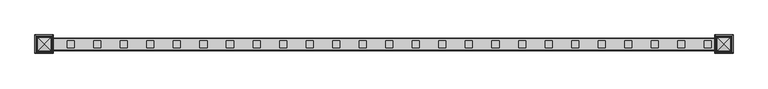
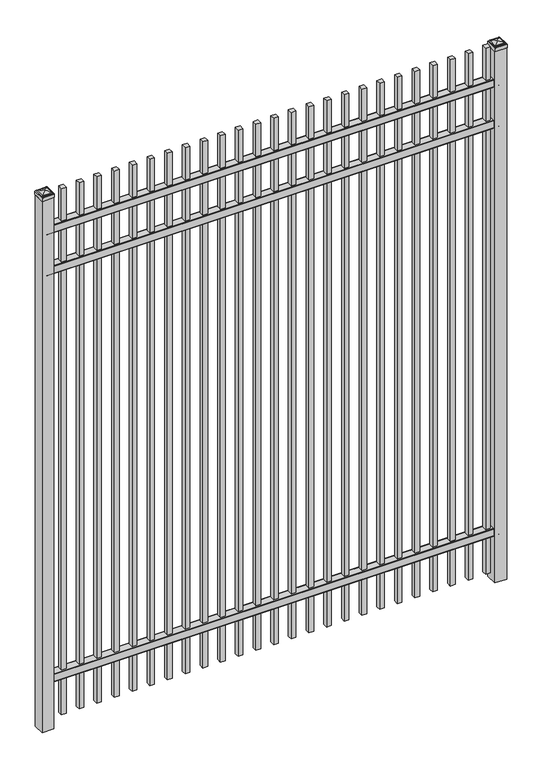
"""IFC4 building model written with IfcOpenShell, lengths in millimetres: railing geometry."""

from ifc_helpers import new_model, si_unit, point, frame, frame_2d, origin, origin_with_axes, place, context, project, spatial, polyline, circle_curve, ellipse_curve, trimmed, segment, composite_curve, outline, extrude, source, transform, mapped, element, save
from ifc_brep_helpers import plane_surface, cylinder_surface, advanced_brep


def railing_83ce219e(model_context):
    return source(origin(), model_context, "Body", "SolidModel", [
        extrude(outline(composite_curve([segment(polyline([(4253.9139761, 304.8), (4291.969541, 304.8)]), True, "CONTINUOUS"), segment(trimmed(circle_curve(frame_2d((4291.969541, 301.625)), 3.175), [point((4291.969541, 304.8))], [point((4295.144541, 301.625))], False, "CARTESIAN"), True, "CONTINUOUS"), segment(polyline([(4295.144541, 301.625), (4295.144541, 262.1439893)]), True, "CONTINUOUS"), segment(trimmed(circle_curve(frame_2d((4293.3505518, 262.1439893)), 1.7939893), [point((4295.144541, 262.1439893))], [point((4293.3505518, 260.35))], False, "CARTESIAN"), True, "CONTINUOUS"), segment(polyline([(4293.3505518, 260.35), (4290.7590713, 260.35)]), True, "CONTINUOUS"), segment(trimmed(circle_curve(frame_2d((4290.7590713, 262.1359375)), 1.7859375), [point((4290.7590713, 260.35))], [point((4288.9755813, 262.0424688))], False, "CARTESIAN"), True, "CONTINUOUS"), segment(polyline([(4288.9755813, 262.0424688), (4287.4025867, 292.0569942), (4258.4364954, 292.0569942), (4256.8635007, 262.0424688)]), True, "CONTINUOUS"), segment(trimmed(circle_curve(frame_2d((4255.0800108, 262.1359375)), 1.7859375), [point((4256.8635007, 262.0424688))], [point((4255.0800108, 260.35))], False, "CARTESIAN"), True, "CONTINUOUS"), segment(polyline([(4255.0800108, 260.35), (4252.4804785, 260.35)]), True, "CONTINUOUS"), segment(trimmed(circle_curve(frame_2d((4252.4804785, 262.1359375)), 1.7859375), [point((4252.4804785, 260.35))], [point((4250.694541, 262.1359375))], False, "CARTESIAN"), True, "CONTINUOUS"), segment(polyline([(4250.694541, 262.1359375), (4250.694541, 301.5805649)]), True, "CONTINUOUS"), segment(trimmed(circle_curve(frame_2d((4253.9139761, 301.5805649)), 3.2194351), [point((4250.694541, 301.5805649))], [point((4253.9139761, 304.8))], False, "CARTESIAN"), True, "CONTINUOUS")], self_intersect=False)), frame((6913.3350064, 0.0, 0.0), z_axis=(1.0, 0.0, 0.0), x_axis=(0.0, 1.0, 0.0)), (0.0, 0.0, 1.0), 2438.4),
        extrude(outline(composite_curve([segment(polyline([(4253.9139761, 2628.9), (4291.969541, 2628.9)]), True, "CONTINUOUS"), segment(trimmed(circle_curve(frame_2d((4291.969541, 2625.725)), 3.175), [point((4291.969541, 2628.9))], [point((4295.144541, 2625.725))], False, "CARTESIAN"), True, "CONTINUOUS"), segment(polyline([(4295.144541, 2625.725), (4295.144541, 2586.2439893)]), True, "CONTINUOUS"), segment(trimmed(circle_curve(frame_2d((4293.3505518, 2586.2439893)), 1.7939893), [point((4295.144541, 2586.2439893))], [point((4293.3505518, 2584.45))], False, "CARTESIAN"), True, "CONTINUOUS"), segment(polyline([(4293.3505518, 2584.45), (4290.7590713, 2584.45)]), True, "CONTINUOUS"), segment(trimmed(circle_curve(frame_2d((4290.7590713, 2586.2359375)), 1.7859375), [point((4290.7590713, 2584.45))], [point((4288.9755813, 2586.1424688))], False, "CARTESIAN"), True, "CONTINUOUS"), segment(polyline([(4288.9755813, 2586.1424688), (4287.4025867, 2616.1569942), (4258.4364954, 2616.1569942), (4256.8635007, 2586.1424688)]), True, "CONTINUOUS"), segment(trimmed(circle_curve(frame_2d((4255.0800108, 2586.2359375)), 1.7859375), [point((4256.8635007, 2586.1424688))], [point((4255.0800108, 2584.45))], False, "CARTESIAN"), True, "CONTINUOUS"), segment(polyline([(4255.0800108, 2584.45), (4252.4804785, 2584.45)]), True, "CONTINUOUS"), segment(trimmed(circle_curve(frame_2d((4252.4804785, 2586.2359375)), 1.7859375), [point((4252.4804785, 2584.45))], [point((4250.694541, 2586.2359375))], False, "CARTESIAN"), True, "CONTINUOUS"), segment(polyline([(4250.694541, 2586.2359375), (4250.694541, 2625.6805649)]), True, "CONTINUOUS"), segment(trimmed(circle_curve(frame_2d((4253.9139761, 2625.6805649)), 3.2194351), [point((4250.694541, 2625.6805649))], [point((4253.9139761, 2628.9))], False, "CARTESIAN"), True, "CONTINUOUS")], self_intersect=False)), frame((6913.3350064, 0.0, 0.0), z_axis=(1.0, 0.0, 0.0), x_axis=(0.0, 1.0, 0.0)), (0.0, 0.0, 1.0), 2438.4),
        extrude(outline(composite_curve([segment(polyline([(4253.9139761, 2862.2625), (4291.969541, 2862.2625)]), True, "CONTINUOUS"), segment(trimmed(circle_curve(frame_2d((4291.969541, 2859.0875)), 3.175), [point((4291.969541, 2862.2625))], [point((4295.144541, 2859.0875))], False, "CARTESIAN"), True, "CONTINUOUS"), segment(polyline([(4295.144541, 2859.0875), (4295.144541, 2819.6064893)]), True, "CONTINUOUS"), segment(trimmed(circle_curve(frame_2d((4293.3505518, 2819.6064893)), 1.7939893), [point((4295.144541, 2819.6064893))], [point((4293.3505518, 2817.8125))], False, "CARTESIAN"), True, "CONTINUOUS"), segment(polyline([(4293.3505518, 2817.8125), (4290.7590713, 2817.8125)]), True, "CONTINUOUS"), segment(trimmed(circle_curve(frame_2d((4290.7590713, 2819.5984375)), 1.7859375), [point((4290.7590713, 2817.8125))], [point((4288.9755813, 2819.5049688))], False, "CARTESIAN"), True, "CONTINUOUS"), segment(polyline([(4288.9755813, 2819.5049688), (4287.4025867, 2849.5194942), (4258.4364954, 2849.5194942), (4256.8635007, 2819.5049688)]), True, "CONTINUOUS"), segment(trimmed(circle_curve(frame_2d((4255.0800108, 2819.5984375)), 1.7859375), [point((4256.8635007, 2819.5049688))], [point((4255.0800108, 2817.8125))], False, "CARTESIAN"), True, "CONTINUOUS"), segment(polyline([(4255.0800108, 2817.8125), (4252.4804785, 2817.8125)]), True, "CONTINUOUS"), segment(trimmed(circle_curve(frame_2d((4252.4804785, 2819.5984375)), 1.7859375), [point((4252.4804785, 2817.8125))], [point((4250.694541, 2819.5984375))], False, "CARTESIAN"), True, "CONTINUOUS"), segment(polyline([(4250.694541, 2819.5984375), (4250.694541, 2859.0430649)]), True, "CONTINUOUS"), segment(trimmed(circle_curve(frame_2d((4253.9139761, 2859.0430649)), 3.2194351), [point((4250.694541, 2859.0430649))], [point((4253.9139761, 2862.2625))], False, "CARTESIAN"), True, "CONTINUOUS")], self_intersect=False)), frame((6913.3350064, 0.0, 0.0), z_axis=(1.0, 0.0, 0.0), x_axis=(0.0, 1.0, 0.0)), (0.0, 0.0, 1.0), 2438.4),
        extrude(outline(polyline([(9281.8850064, 4285.619541), (9307.2850064, 4285.619541), (9307.2850064, 4260.219541), (9281.8850064, 4260.219541), (9281.8850064, 4285.619541)])), frame((0.0, 0.0, 50.8), z_axis=(0.0, 0.0, 1.0), x_axis=(1.0, 0.0, 0.0)), (0.0, 0.0, 1.0), 2997.2),
        extrude(outline(polyline([(9186.6350064, 4285.619541), (9212.0350064, 4285.619541), (9212.0350064, 4260.219541), (9186.6350064, 4260.219541), (9186.6350064, 4285.619541)])), frame((0.0, 0.0, 50.8), z_axis=(0.0, 0.0, 1.0), x_axis=(1.0, 0.0, 0.0)), (0.0, 0.0, 1.0), 2997.2),
        extrude(outline(polyline([(9091.3850064, 4285.619541), (9116.7850064, 4285.619541), (9116.7850064, 4260.219541), (9091.3850064, 4260.219541), (9091.3850064, 4285.619541)])), frame((0.0, 0.0, 50.8), z_axis=(0.0, 0.0, 1.0), x_axis=(1.0, 0.0, 0.0)), (0.0, 0.0, 1.0), 2997.2),
        extrude(outline(polyline([(8996.1350064, 4285.619541), (9021.5350064, 4285.619541), (9021.5350064, 4260.219541), (8996.1350064, 4260.219541), (8996.1350064, 4285.619541)])), frame((0.0, 0.0, 50.8), z_axis=(0.0, 0.0, 1.0), x_axis=(1.0, 0.0, 0.0)), (0.0, 0.0, 1.0), 2997.2),
        extrude(outline(polyline([(8900.8850064, 4285.619541), (8926.2850064, 4285.619541), (8926.2850064, 4260.219541), (8900.8850064, 4260.219541), (8900.8850064, 4285.619541)])), frame((0.0, 0.0, 50.8), z_axis=(0.0, 0.0, 1.0), x_axis=(1.0, 0.0, 0.0)), (0.0, 0.0, 1.0), 2997.2),
        extrude(outline(polyline([(8805.6350064, 4285.619541), (8831.0350064, 4285.619541), (8831.0350064, 4260.219541), (8805.6350064, 4260.219541), (8805.6350064, 4285.619541)])), frame((0.0, 0.0, 50.8), z_axis=(0.0, 0.0, 1.0), x_axis=(1.0, 0.0, 0.0)), (0.0, 0.0, 1.0), 2997.2),
        extrude(outline(polyline([(8710.3850064, 4285.619541), (8735.7850064, 4285.619541), (8735.7850064, 4260.219541), (8710.3850064, 4260.219541), (8710.3850064, 4285.619541)])), frame((0.0, 0.0, 50.8), z_axis=(0.0, 0.0, 1.0), x_axis=(1.0, 0.0, 0.0)), (0.0, 0.0, 1.0), 2997.2),
        extrude(outline(polyline([(8615.1350064, 4285.619541), (8640.5350064, 4285.619541), (8640.5350064, 4260.219541), (8615.1350064, 4260.219541), (8615.1350064, 4285.619541)])), frame((0.0, 0.0, 50.8), z_axis=(0.0, 0.0, 1.0), x_axis=(1.0, 0.0, 0.0)), (0.0, 0.0, 1.0), 2997.2),
        extrude(outline(polyline([(8519.8850064, 4285.619541), (8545.2850064, 4285.619541), (8545.2850064, 4260.219541), (8519.8850064, 4260.219541), (8519.8850064, 4285.619541)])), frame((0.0, 0.0, 50.8), z_axis=(0.0, 0.0, 1.0), x_axis=(1.0, 0.0, 0.0)), (0.0, 0.0, 1.0), 2997.2),
        extrude(outline(polyline([(8424.6350064, 4285.619541), (8450.0350064, 4285.619541), (8450.0350064, 4260.219541), (8424.6350064, 4260.219541), (8424.6350064, 4285.619541)])), frame((0.0, 0.0, 50.8), z_axis=(0.0, 0.0, 1.0), x_axis=(1.0, 0.0, 0.0)), (0.0, 0.0, 1.0), 2997.2),
        extrude(outline(polyline([(8329.3850064, 4285.619541), (8354.7850064, 4285.619541), (8354.7850064, 4260.219541), (8329.3850064, 4260.219541), (8329.3850064, 4285.619541)])), frame((0.0, 0.0, 50.8), z_axis=(0.0, 0.0, 1.0), x_axis=(1.0, 0.0, 0.0)), (0.0, 0.0, 1.0), 2997.2),
        extrude(outline(polyline([(8234.1350064, 4285.619541), (8259.5350064, 4285.619541), (8259.5350064, 4260.219541), (8234.1350064, 4260.219541), (8234.1350064, 4285.619541)])), frame((0.0, 0.0, 50.8), z_axis=(0.0, 0.0, 1.0), x_axis=(1.0, 0.0, 0.0)), (0.0, 0.0, 1.0), 2997.2),
        extrude(outline(polyline([(8138.8850064, 4285.619541), (8164.2850064, 4285.619541), (8164.2850064, 4260.219541), (8138.8850064, 4260.219541), (8138.8850064, 4285.619541)])), frame((0.0, 0.0, 50.8), z_axis=(0.0, 0.0, 1.0), x_axis=(1.0, 0.0, 0.0)), (0.0, 0.0, 1.0), 2997.2),
        extrude(outline(polyline([(8043.6350064, 4285.619541), (8069.0350064, 4285.619541), (8069.0350064, 4260.219541), (8043.6350064, 4260.219541), (8043.6350064, 4285.619541)])), frame((0.0, 0.0, 50.8), z_axis=(0.0, 0.0, 1.0), x_axis=(1.0, 0.0, 0.0)), (0.0, 0.0, 1.0), 2997.2),
        extrude(outline(polyline([(7948.3850064, 4285.619541), (7973.7850064, 4285.619541), (7973.7850064, 4260.219541), (7948.3850064, 4260.219541), (7948.3850064, 4285.619541)])), frame((0.0, 0.0, 50.8), z_axis=(0.0, 0.0, 1.0), x_axis=(1.0, 0.0, 0.0)), (0.0, 0.0, 1.0), 2997.2),
        extrude(outline(polyline([(7853.1350064, 4285.619541), (7878.5350064, 4285.619541), (7878.5350064, 4260.219541), (7853.1350064, 4260.219541), (7853.1350064, 4285.619541)])), frame((0.0, 0.0, 50.8), z_axis=(0.0, 0.0, 1.0), x_axis=(1.0, 0.0, 0.0)), (0.0, 0.0, 1.0), 2997.2),
        extrude(outline(polyline([(7757.8850064, 4285.619541), (7783.2850064, 4285.619541), (7783.2850064, 4260.219541), (7757.8850064, 4260.219541), (7757.8850064, 4285.619541)])), frame((0.0, 0.0, 50.8), z_axis=(0.0, 0.0, 1.0), x_axis=(1.0, 0.0, 0.0)), (0.0, 0.0, 1.0), 2997.2),
        extrude(outline(polyline([(7662.6350064, 4285.619541), (7688.0350064, 4285.619541), (7688.0350064, 4260.219541), (7662.6350064, 4260.219541), (7662.6350064, 4285.619541)])), frame((0.0, 0.0, 50.8), z_axis=(0.0, 0.0, 1.0), x_axis=(1.0, 0.0, 0.0)), (0.0, 0.0, 1.0), 2997.2),
        extrude(outline(polyline([(7567.3850064, 4285.619541), (7592.7850064, 4285.619541), (7592.7850064, 4260.219541), (7567.3850064, 4260.219541), (7567.3850064, 4285.619541)])), frame((0.0, 0.0, 50.8), z_axis=(0.0, 0.0, 1.0), x_axis=(1.0, 0.0, 0.0)), (0.0, 0.0, 1.0), 2997.2),
        extrude(outline(polyline([(7472.1350064, 4285.619541), (7497.5350064, 4285.619541), (7497.5350064, 4260.219541), (7472.1350064, 4260.219541), (7472.1350064, 4285.619541)])), frame((0.0, 0.0, 50.8), z_axis=(0.0, 0.0, 1.0), x_axis=(1.0, 0.0, 0.0)), (0.0, 0.0, 1.0), 2997.2),
        extrude(outline(polyline([(7376.8850064, 4285.619541), (7402.2850064, 4285.619541), (7402.2850064, 4260.219541), (7376.8850064, 4260.219541), (7376.8850064, 4285.619541)])), frame((0.0, 0.0, 50.8), z_axis=(0.0, 0.0, 1.0), x_axis=(1.0, 0.0, 0.0)), (0.0, 0.0, 1.0), 2997.2),
        extrude(outline(polyline([(7281.6350064, 4285.619541), (7307.0350064, 4285.619541), (7307.0350064, 4260.219541), (7281.6350064, 4260.219541), (7281.6350064, 4285.619541)])), frame((0.0, 0.0, 50.8), z_axis=(0.0, 0.0, 1.0), x_axis=(1.0, 0.0, 0.0)), (0.0, 0.0, 1.0), 2997.2),
        extrude(outline(polyline([(7186.3850064, 4285.619541), (7211.7850064, 4285.619541), (7211.7850064, 4260.219541), (7186.3850064, 4260.219541), (7186.3850064, 4285.619541)])), frame((0.0, 0.0, 50.8), z_axis=(0.0, 0.0, 1.0), x_axis=(1.0, 0.0, 0.0)), (0.0, 0.0, 1.0), 2997.2),
        extrude(outline(polyline([(7091.1350064, 4285.619541), (7116.5350064, 4285.619541), (7116.5350064, 4260.219541), (7091.1350064, 4260.219541), (7091.1350064, 4285.619541)])), frame((0.0, 0.0, 50.8), z_axis=(0.0, 0.0, 1.0), x_axis=(1.0, 0.0, 0.0)), (0.0, 0.0, 1.0), 2997.2),
        extrude(outline(polyline([(6995.8850064, 4285.619541), (7021.2850064, 4285.619541), (7021.2850064, 4260.219541), (6995.8850064, 4260.219541), (6995.8850064, 4285.619541)])), frame((0.0, 0.0, 50.8), z_axis=(0.0, 0.0, 1.0), x_axis=(1.0, 0.0, 0.0)), (0.0, 0.0, 1.0), 2997.2),
        extrude(outline(polyline([(9383.4850064, 4304.669541), (9383.4850064, 4241.169541), (9319.9850064, 4241.169541), (9319.9850064, 4304.669541), (9383.4850064, 4304.669541)])), origin_with_axes(), (0.0, 0.0, 1.0), 3027.3625),
        advanced_brep(
        [(9318.3975064, 4306.257041, 3045.61875), (9318.3975064, 4306.257041, 3027.3625), (9318.3975064, 4239.582041, 3027.3625), (9318.3975064, 4239.582041, 3045.61875), (9320.7787564, 4303.875791, 3048.0), (9320.7787564, 4241.963291, 3048.0), (9323.1600064, 4301.494541, 3050.38125), (9323.1600064, 4301.494541, 3048.0), (9323.1600064, 4244.344541, 3048.0), (9323.1600064, 4244.344541, 3050.38125), (9325.5412564, 4299.113291, 3052.7625), (9325.5412564, 4246.725791, 3052.7625), (9351.7350064, 4272.919541, 3059.1125), (9327.9225064, 4296.732041, 3052.7625), (9327.9225064, 4249.107041, 3052.7625), (9385.0725064, 4239.582041, 3027.3625), (9385.0725064, 4239.582041, 3045.61875), (9382.6912564, 4241.963291, 3048.0), (9380.3100064, 4244.344541, 3048.0), (9380.3100064, 4244.344541, 3050.38125), (9377.9287564, 4246.725791, 3052.7625), (9375.5475064, 4249.107041, 3052.7625), (9385.0725064, 4306.257041, 3027.3625), (9385.0725064, 4306.257041, 3045.61875), (9382.6912564, 4303.875791, 3048.0), (9380.3100064, 4301.494541, 3048.0), (9380.3100064, 4301.494541, 3050.38125), (9377.9287564, 4299.113291, 3052.7625), (9375.5475064, 4296.732041, 3052.7625)],
        [
            (0, 1),
            (1, 2),
            (2, 3),
            (3, 0),
            (4, 0, ellipse_curve(frame((9320.7787564, 4303.875791, 3045.61875), z_axis=(-0.70710678118655, -0.7071067811865449, 0.0), x_axis=(-0.7071067811865448, 0.7071067811865501, 0.0)), 3.367596, 2.38125)),
            (3, 5, ellipse_curve(frame((9320.7787564, 4241.963291, 3045.61875), z_axis=(-0.7071067811865449, 0.70710678118655, 0.0), x_axis=(0.7071067811865499, 0.707106781186545, 0.0)), 3.367596, 2.38125)),
            (5, 4),
            (6, 7),
            (7, 8),
            (8, 9),
            (9, 6),
            (10, 6, ellipse_curve(frame((9325.5412564, 4299.113291, 3050.38125), z_axis=(-0.70710678118655, -0.7071067811865449, 0.0), x_axis=(-0.7071067811865448, 0.7071067811865501, 0.0)), 3.367596, 2.38125)),
            (9, 11, ellipse_curve(frame((9325.5412564, 4246.725791, 3050.38125), z_axis=(-0.7071067811865449, 0.70710678118655, 0.0), x_axis=(0.7071067811865499, 0.707106781186545, 0.0)), 3.367596, 2.38125)),
            (11, 10),
            (12, 13, ellipse_curve(frame((9351.7350064, 4272.919541, 3011.2890625), z_axis=(-0.70710678118655, -0.7071067811865449, 0.0), x_axis=(-0.7071067811865448, 0.7071067811865501, 0.0)), 67.6325539, 47.8234375)),
            (13, 14),
            (14, 12, ellipse_curve(frame((9351.7350064, 4272.919541, 3011.2890625), z_axis=(-0.7071067811865449, 0.70710678118655, 0.0), x_axis=(0.7071067811865499, 0.707106781186545, 0.0)), 67.6325539, 47.8234375)),
            (2, 15),
            (15, 16),
            (16, 3),
            (16, 17, ellipse_curve(frame((9382.6912564, 4241.963291, 3045.61875), z_axis=(-0.70710678118655, -0.707106781186545, 0.0), x_axis=(-0.707106781186545, 0.70710678118655, 0.0)), 3.367596, 2.38125)),
            (17, 5),
            (8, 18),
            (18, 19),
            (19, 9),
            (19, 20, ellipse_curve(frame((9377.9287564, 4246.725791, 3050.38125), z_axis=(-0.70710678118655, -0.707106781186545, 0.0), x_axis=(-0.707106781186545, 0.70710678118655, 0.0)), 3.367596, 2.38125)),
            (20, 11),
            (14, 21),
            (21, 12, ellipse_curve(frame((9351.7350064, 4272.919541, 3011.2890625), z_axis=(-0.70710678118655, -0.707106781186545, 0.0), x_axis=(-0.707106781186545, 0.70710678118655, 0.0)), 67.6325539, 47.8234375)),
            (15, 22),
            (22, 23),
            (23, 16),
            (23, 24, ellipse_curve(frame((9382.6912564, 4303.875791, 3045.61875), z_axis=(0.707106781186545, -0.7071067811865499, 0.0), x_axis=(-0.7071067811865497, -0.7071067811865452, 0.0)), 3.367596, 2.38125)),
            (24, 17),
            (18, 25),
            (25, 26),
            (26, 19),
            (26, 27, ellipse_curve(frame((9377.9287564, 4299.113291, 3050.38125), z_axis=(0.707106781186545, -0.7071067811865499, 0.0), x_axis=(-0.7071067811865497, -0.7071067811865452, 0.0)), 3.367596, 2.38125)),
            (27, 20),
            (21, 28),
            (28, 12, ellipse_curve(frame((9351.7350064, 4272.919541, 3011.2890625), z_axis=(0.707106781186545, -0.7071067811865499, 0.0), x_axis=(-0.7071067811865497, -0.7071067811865452, 0.0)), 67.6325539, 47.8234375)),
            (22, 1),
            (0, 23),
            (4, 24),
            (7, 25),
            (6, 26),
            (10, 27),
            (13, 28),
        ],
        [
            plane_surface(frame((9318.3975064, 4306.257041, 3027.3625), z_axis=(-1.0, 0.0, 0.0), x_axis=(0.0, -1.0, 0.0))),
            cylinder_surface(frame((9320.7787564, 4304.669541, 3045.61875), z_axis=(0.0, 1.0, 0.0), x_axis=(1.0, 0.0, 0.0)), 2.38125),
            plane_surface(frame((9323.1600064, 4301.494541, 3048.0), z_axis=(-1.0, 0.0, 0.0), x_axis=(0.0, -1.0, 0.0))),
            cylinder_surface(frame((9325.5412564, 4304.669541, 3050.38125), z_axis=(0.0, 1.0, 0.0), x_axis=(1.0, 0.0, 0.0)), 2.38125),
            cylinder_surface(frame((9351.7350064, 4304.669541, 3011.2890625), z_axis=(0.0, 1.0, 0.0), x_axis=(1.0, 0.0, 0.0)), 47.8234375),
            plane_surface(frame((9318.3975064, 4239.582041, 3027.3625), z_axis=(0.0, -1.0, 0.0), x_axis=(1.0, 0.0, 0.0))),
            cylinder_surface(frame((9319.9850064, 4241.963291, 3045.61875), z_axis=(-1.0, 0.0, 0.0), x_axis=(0.0, 1.0, 0.0)), 2.38125),
            plane_surface(frame((9323.1600064, 4244.344541, 3048.0), z_axis=(0.0, -1.0, 0.0), x_axis=(1.0, 0.0, 0.0))),
            cylinder_surface(frame((9319.9850064, 4246.725791, 3050.38125), z_axis=(-1.0, 0.0, 0.0), x_axis=(0.0, 1.0, 0.0)), 2.38125),
            cylinder_surface(frame((9319.9850064, 4272.919541, 3011.2890625), z_axis=(-1.0, 0.0, 0.0), x_axis=(0.0, 1.0, 0.0)), 47.8234375),
            plane_surface(frame((9385.0725064, 4239.582041, 3027.3625), z_axis=(1.0, 0.0, 0.0), x_axis=(0.0, 1.0, 0.0))),
            cylinder_surface(frame((9382.6912564, 4241.169541, 3045.61875), z_axis=(0.0, -1.0, 0.0), x_axis=(-1.0, 0.0, 0.0)), 2.38125),
            plane_surface(frame((9380.3100064, 4244.344541, 3048.0), z_axis=(1.0, 0.0, 0.0), x_axis=(0.0, 1.0, 0.0))),
            cylinder_surface(frame((9377.9287564, 4241.169541, 3050.38125), z_axis=(0.0, -1.0, 0.0), x_axis=(-1.0, 0.0, 0.0)), 2.38125),
            cylinder_surface(frame((9351.7350064, 4241.169541, 3011.2890625), z_axis=(0.0, -1.0, 0.0), x_axis=(-1.0, 0.0, 0.0)), 47.8234375),
            plane_surface(frame((9385.0725064, 4306.257041, 3027.3625), z_axis=(0.0, 1.0, 0.0), x_axis=(-1.0, 0.0, 0.0))),
            cylinder_surface(frame((9383.4850064, 4303.875791, 3045.61875), z_axis=(1.0, 0.0, 0.0), x_axis=(0.0, -1.0, 0.0)), 2.38125),
            plane_surface(frame((9382.6912564, 4303.875791, 3048.0), z_axis=(0.0, 0.0, 1.0), x_axis=(-1.0, 0.0, 0.0))),
            plane_surface(frame((9380.3100064, 4301.494541, 3048.0), z_axis=(0.0, 1.0, 0.0), x_axis=(-1.0, 0.0, 0.0))),
            cylinder_surface(frame((9383.4850064, 4299.113291, 3050.38125), z_axis=(1.0, 0.0, 0.0), x_axis=(0.0, -1.0, 0.0)), 2.38125),
            plane_surface(frame((9377.9287564, 4299.113291, 3052.7625), z_axis=(0.0, 0.0, 1.0), x_axis=(-1.0, 0.0, 0.0))),
            cylinder_surface(frame((9383.4850064, 4272.919541, 3011.2890625), z_axis=(1.0, 0.0, 0.0), x_axis=(0.0, -1.0, 0.0)), 47.8234375),
            plane_surface(frame((9351.7350064, 4272.919541, 3027.3625), z_axis=(0.0, 0.0, -1.0), x_axis=(-1.0, 0.0, 0.0))),
        ],
        [
            (0, [[1, 2, 3, 4]]),
            (1, [[5, -4, 6, 7]]),
            (2, [[8, 9, 10, 11]]),
            (3, [[12, -11, 13, 14]]),
            (4, [[15, 16, 17]]),
            (5, [[-3, 18, 19, 20]]),
            (6, [[-6, -20, 21, 22]]),
            (7, [[-10, 23, 24, 25]]),
            (8, [[-13, -25, 26, 27]]),
            (9, [[-17, 28, 29]]),
            (10, [[-19, 30, 31, 32]]),
            (11, [[-21, -32, 33, 34]]),
            (12, [[-24, 35, 36, 37]]),
            (13, [[-26, -37, 38, 39]]),
            (14, [[-29, 40, 41]]),
            (15, [[-31, 42, -1, 43]]),
            (16, [[-33, -43, -5, 44]]),
            (17, [[-22, -34, -44, -7], [45, -35, -23, -9]]),
            (18, [[-36, -45, -8, 46]]),
            (19, [[-38, -46, -12, 47]]),
            (20, [[-27, -39, -47, -14], [48, -40, -28, -16]]),
            (21, [[-41, -48, -15]]),
            (22, [[-42, -30, -18, -2]]),
        ],
    ),
        extrude(outline(polyline([(6945.0850064, 4304.669541), (6945.0850064, 4241.169541), (6881.5850064, 4241.169541), (6881.5850064, 4304.669541), (6945.0850064, 4304.669541)])), origin_with_axes(), (0.0, 0.0, 1.0), 3027.3625),
        advanced_brep(
        [(6879.9975064, 4306.257041, 3045.61875), (6879.9975064, 4306.257041, 3027.3625), (6879.9975064, 4239.582041, 3027.3625), (6879.9975064, 4239.582041, 3045.61875), (6882.3787564, 4303.875791, 3048.0), (6882.3787564, 4241.963291, 3048.0), (6884.7600064, 4301.494541, 3050.38125), (6884.7600064, 4301.494541, 3048.0), (6884.7600064, 4244.344541, 3048.0), (6884.7600064, 4244.344541, 3050.38125), (6887.1412564, 4299.113291, 3052.7625), (6887.1412564, 4246.725791, 3052.7625), (6913.3350064, 4272.919541, 3059.1125), (6889.5225064, 4296.732041, 3052.7625), (6889.5225064, 4249.107041, 3052.7625), (6946.6725064, 4239.582041, 3027.3625), (6946.6725064, 4239.582041, 3045.61875), (6944.2912564, 4241.963291, 3048.0), (6941.9100064, 4244.344541, 3048.0), (6941.9100064, 4244.344541, 3050.38125), (6939.5287564, 4246.725791, 3052.7625), (6937.1475064, 4249.107041, 3052.7625), (6946.6725064, 4306.257041, 3027.3625), (6946.6725064, 4306.257041, 3045.61875), (6944.2912564, 4303.875791, 3048.0), (6941.9100064, 4301.494541, 3048.0), (6941.9100064, 4301.494541, 3050.38125), (6939.5287564, 4299.113291, 3052.7625), (6937.1475064, 4296.732041, 3052.7625)],
        [
            (0, 1),
            (1, 2),
            (2, 3),
            (3, 0),
            (4, 0, ellipse_curve(frame((6882.3787564, 4303.875791, 3045.61875), z_axis=(-0.70710678118655, -0.7071067811865449, 0.0), x_axis=(-0.7071067811865448, 0.7071067811865501, 0.0)), 3.367596, 2.38125)),
            (3, 5, ellipse_curve(frame((6882.3787564, 4241.963291, 3045.61875), z_axis=(-0.7071067811865449, 0.70710678118655, 0.0), x_axis=(0.7071067811865499, 0.707106781186545, 0.0)), 3.367596, 2.38125)),
            (5, 4),
            (6, 7),
            (7, 8),
            (8, 9),
            (9, 6),
            (10, 6, ellipse_curve(frame((6887.1412564, 4299.113291, 3050.38125), z_axis=(-0.70710678118655, -0.7071067811865449, 0.0), x_axis=(-0.7071067811865448, 0.7071067811865501, 0.0)), 3.367596, 2.38125)),
            (9, 11, ellipse_curve(frame((6887.1412564, 4246.725791, 3050.38125), z_axis=(-0.7071067811865449, 0.70710678118655, 0.0), x_axis=(0.7071067811865499, 0.707106781186545, 0.0)), 3.367596, 2.38125)),
            (11, 10),
            (12, 13, ellipse_curve(frame((6913.3350064, 4272.919541, 3011.2890625), z_axis=(-0.70710678118655, -0.7071067811865449, 0.0), x_axis=(-0.7071067811865448, 0.7071067811865501, 0.0)), 67.6325539, 47.8234375)),
            (13, 14),
            (14, 12, ellipse_curve(frame((6913.3350064, 4272.919541, 3011.2890625), z_axis=(-0.7071067811865449, 0.70710678118655, 0.0), x_axis=(0.7071067811865499, 0.707106781186545, 0.0)), 67.6325539, 47.8234375)),
            (2, 15),
            (15, 16),
            (16, 3),
            (16, 17, ellipse_curve(frame((6944.2912564, 4241.963291, 3045.61875), z_axis=(-0.70710678118655, -0.707106781186545, 0.0), x_axis=(-0.707106781186545, 0.70710678118655, 0.0)), 3.367596, 2.38125)),
            (17, 5),
            (8, 18),
            (18, 19),
            (19, 9),
            (19, 20, ellipse_curve(frame((6939.5287564, 4246.725791, 3050.38125), z_axis=(-0.70710678118655, -0.707106781186545, 0.0), x_axis=(-0.707106781186545, 0.70710678118655, 0.0)), 3.367596, 2.38125)),
            (20, 11),
            (14, 21),
            (21, 12, ellipse_curve(frame((6913.3350064, 4272.919541, 3011.2890625), z_axis=(-0.70710678118655, -0.707106781186545, 0.0), x_axis=(-0.707106781186545, 0.70710678118655, 0.0)), 67.6325539, 47.8234375)),
            (15, 22),
            (22, 23),
            (23, 16),
            (23, 24, ellipse_curve(frame((6944.2912564, 4303.875791, 3045.61875), z_axis=(0.707106781186545, -0.7071067811865499, 0.0), x_axis=(-0.7071067811865497, -0.7071067811865452, 0.0)), 3.367596, 2.38125)),
            (24, 17),
            (18, 25),
            (25, 26),
            (26, 19),
            (26, 27, ellipse_curve(frame((6939.5287564, 4299.113291, 3050.38125), z_axis=(0.707106781186545, -0.7071067811865499, 0.0), x_axis=(-0.7071067811865497, -0.7071067811865452, 0.0)), 3.367596, 2.38125)),
            (27, 20),
            (21, 28),
            (28, 12, ellipse_curve(frame((6913.3350064, 4272.919541, 3011.2890625), z_axis=(0.707106781186545, -0.7071067811865499, 0.0), x_axis=(-0.7071067811865497, -0.7071067811865452, 0.0)), 67.6325539, 47.8234375)),
            (22, 1),
            (0, 23),
            (4, 24),
            (7, 25),
            (6, 26),
            (10, 27),
            (13, 28),
        ],
        [
            plane_surface(frame((6879.9975064, 4306.257041, 3027.3625), z_axis=(-1.0, 0.0, 0.0), x_axis=(0.0, -1.0, 0.0))),
            cylinder_surface(frame((6882.3787564, 4304.669541, 3045.61875), z_axis=(0.0, 1.0, 0.0), x_axis=(1.0, 0.0, 0.0)), 2.38125),
            plane_surface(frame((6884.7600064, 4301.494541, 3048.0), z_axis=(-1.0, 0.0, 0.0), x_axis=(0.0, -1.0, 0.0))),
            cylinder_surface(frame((6887.1412564, 4304.669541, 3050.38125), z_axis=(0.0, 1.0, 0.0), x_axis=(1.0, 0.0, 0.0)), 2.38125),
            cylinder_surface(frame((6913.3350064, 4304.669541, 3011.2890625), z_axis=(0.0, 1.0, 0.0), x_axis=(1.0, 0.0, 0.0)), 47.8234375),
            plane_surface(frame((6879.9975064, 4239.582041, 3027.3625), z_axis=(0.0, -1.0, 0.0), x_axis=(1.0, 0.0, 0.0))),
            cylinder_surface(frame((6881.5850064, 4241.963291, 3045.61875), z_axis=(-1.0, 0.0, 0.0), x_axis=(0.0, 1.0, 0.0)), 2.38125),
            plane_surface(frame((6884.7600064, 4244.344541, 3048.0), z_axis=(0.0, -1.0, 0.0), x_axis=(1.0, 0.0, 0.0))),
            cylinder_surface(frame((6881.5850064, 4246.725791, 3050.38125), z_axis=(-1.0, 0.0, 0.0), x_axis=(0.0, 1.0, 0.0)), 2.38125),
            cylinder_surface(frame((6881.5850064, 4272.919541, 3011.2890625), z_axis=(-1.0, 0.0, 0.0), x_axis=(0.0, 1.0, 0.0)), 47.8234375),
            plane_surface(frame((6946.6725064, 4239.582041, 3027.3625), z_axis=(1.0, 0.0, 0.0), x_axis=(0.0, 1.0, 0.0))),
            cylinder_surface(frame((6944.2912564, 4241.169541, 3045.61875), z_axis=(0.0, -1.0, 0.0), x_axis=(-1.0, 0.0, 0.0)), 2.38125),
            plane_surface(frame((6941.9100064, 4244.344541, 3048.0), z_axis=(1.0, 0.0, 0.0), x_axis=(0.0, 1.0, 0.0))),
            cylinder_surface(frame((6939.5287564, 4241.169541, 3050.38125), z_axis=(0.0, -1.0, 0.0), x_axis=(-1.0, 0.0, 0.0)), 2.38125),
            cylinder_surface(frame((6913.3350064, 4241.169541, 3011.2890625), z_axis=(0.0, -1.0, 0.0), x_axis=(-1.0, 0.0, 0.0)), 47.8234375),
            plane_surface(frame((6946.6725064, 4306.257041, 3027.3625), z_axis=(0.0, 1.0, 0.0), x_axis=(-1.0, 0.0, 0.0))),
            cylinder_surface(frame((6945.0850064, 4303.875791, 3045.61875), z_axis=(1.0, 0.0, 0.0), x_axis=(0.0, -1.0, 0.0)), 2.38125),
            plane_surface(frame((6944.2912564, 4303.875791, 3048.0), z_axis=(0.0, 0.0, 1.0), x_axis=(-1.0, 0.0, 0.0))),
            plane_surface(frame((6941.9100064, 4301.494541, 3048.0), z_axis=(0.0, 1.0, 0.0), x_axis=(-1.0, 0.0, 0.0))),
            cylinder_surface(frame((6945.0850064, 4299.113291, 3050.38125), z_axis=(1.0, 0.0, 0.0), x_axis=(0.0, -1.0, 0.0)), 2.38125),
            plane_surface(frame((6939.5287564, 4299.113291, 3052.7625), z_axis=(0.0, 0.0, 1.0), x_axis=(-1.0, 0.0, 0.0))),
            cylinder_surface(frame((6945.0850064, 4272.919541, 3011.2890625), z_axis=(1.0, 0.0, 0.0), x_axis=(0.0, -1.0, 0.0)), 47.8234375),
            plane_surface(frame((6913.3350064, 4272.919541, 3027.3625), z_axis=(0.0, 0.0, -1.0), x_axis=(-1.0, 0.0, 0.0))),
        ],
        [
            (0, [[1, 2, 3, 4]]),
            (1, [[5, -4, 6, 7]]),
            (2, [[8, 9, 10, 11]]),
            (3, [[12, -11, 13, 14]]),
            (4, [[15, 16, 17]]),
            (5, [[-3, 18, 19, 20]]),
            (6, [[-6, -20, 21, 22]]),
            (7, [[-10, 23, 24, 25]]),
            (8, [[-13, -25, 26, 27]]),
            (9, [[-17, 28, 29]]),
            (10, [[-19, 30, 31, 32]]),
            (11, [[-21, -32, 33, 34]]),
            (12, [[-24, 35, 36, 37]]),
            (13, [[-26, -37, 38, 39]]),
            (14, [[-29, 40, 41]]),
            (15, [[-31, 42, -1, 43]]),
            (16, [[-33, -43, -5, 44]]),
            (17, [[-22, -34, -44, -7], [45, -35, -23, -9]]),
            (18, [[-36, -45, -8, 46]]),
            (19, [[-38, -46, -12, 47]]),
            (20, [[-27, -39, -47, -14], [48, -40, -28, -16]]),
            (21, [[-41, -48, -15]]),
            (22, [[-42, -30, -18, -2]]),
        ],
    ),
    ])


if __name__ == "__main__":
    model = new_model("IFC4")
    model_context = context("Model", 3, world=origin())
    ifc_project = project(units=[si_unit("LENGTHUNIT", "METRE", prefix="MILLI")], contexts=[model_context])
    site = spatial("IfcSite", under=ifc_project)
    building = spatial("IfcBuilding", under=site)
    placement = place(None, origin())
    railing_shape = railing_83ce219e(model_context)
    element("IfcRailing", 1, at=placement, inside=building, context=model_context, shape_type="MappedRepresentation", body=[
        mapped(railing_shape, transform((0.0, 0.0, 0.0), x_axis=(1.0, 0.0, 0.0), y_axis=(0.0, 1.0, 0.0), z_axis=(0.0, 0.0, 1.0))),
    ])
    save(model, "model.ifc")
